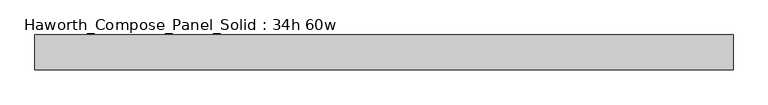
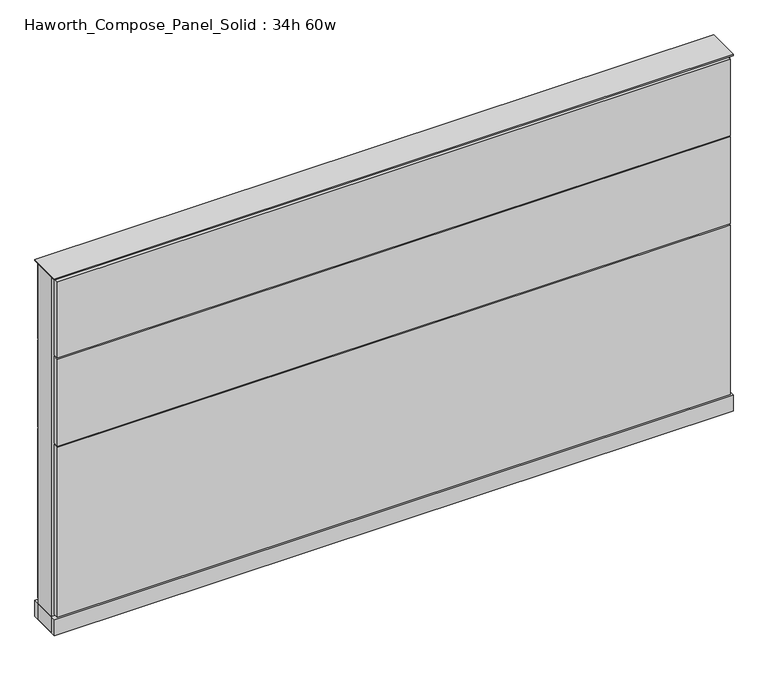
"""IFC4 building model written with IfcOpenShell, lengths in millimetres: furniture geometry, Haworth_Compose_Panel_Solid : 34h 60w."""

from ifc_helpers import new_model, si_unit, point, frame, frame_2d, origin, origin_with_axes, place, context, project, spatial, polyline, circle_curve, trimmed, segment, composite_curve, outline, extrude, source, transform, mapped, element, save


def haworth_compose_panel_solid_34h_60w_4ca2f004(model_context):
    return source(origin(), model_context, "Body", "SweptSolid", [
        extrude(outline(composite_curve([segment(trimmed(circle_curve(frame_2d((-683.3597098, 0.0)), 12.7), [point((-696.0597098, 0.0))], [point((-670.6597098, 0.0))], False, "CARTESIAN"), True, "CONTINUOUS"), segment(trimmed(circle_curve(frame_2d((-683.3597098, 0.0)), 12.7), [point((-670.6597098, 0.0))], [point((-696.0597098, 0.0))], False, "CARTESIAN"), True, "CONTINUOUS")], self_intersect=False)), origin_with_axes(), (0.0, 0.0, 1.0), 12.7),
        extrude(outline(composite_curve([segment(trimmed(circle_curve(frame_2d((688.2402902, 0.0)), 12.7), [point((675.5402902, 0.0))], [point((700.9402902, 0.0))], False, "CARTESIAN"), True, "CONTINUOUS"), segment(trimmed(circle_curve(frame_2d((688.2402902, 0.0)), 12.7), [point((700.9402902, 0.0))], [point((675.5402902, 0.0))], False, "CARTESIAN"), True, "CONTINUOUS")], self_intersect=False)), origin_with_axes(), (0.0, 0.0, 1.0), 12.7),
        extrude(outline(polyline([(758.0902902, 38.1), (758.0902902, 25.4), (-753.2097098, 25.4), (-753.2097098, 38.1), (758.0902902, 38.1)])), frame((0.0, 0.0, 669.925), z_axis=(0.0, 0.0, 1.0), x_axis=(1.0, 0.0, 0.0)), (0.0, 0.0, 1.0), 180.975),
        extrude(outline(polyline([(758.0902902, 38.1), (758.0902902, 25.4), (-753.2097098, 25.4), (-753.2097098, 38.1), (758.0902902, 38.1)])), frame((0.0, 0.0, 460.375), z_axis=(0.0, 0.0, 1.0), x_axis=(1.0, 0.0, 0.0)), (0.0, 0.0, 1.0), 206.375),
        extrude(outline(polyline([(758.0902902, 38.1), (758.0902902, 25.4), (-753.2097098, 25.4), (-753.2097098, 38.1), (758.0902902, 38.1)])), frame((0.0, 0.0, 53.975), z_axis=(0.0, 0.0, 1.0), x_axis=(1.0, 0.0, 0.0)), (0.0, 0.0, 1.0), 403.225),
        extrude(outline(polyline([(758.0902902, -38.1), (-753.2097098, -38.1), (-753.2097098, -25.4), (758.0902902, -25.4), (758.0902902, -38.1)])), frame((0.0, 0.0, 669.925), z_axis=(0.0, 0.0, 1.0), x_axis=(1.0, 0.0, 0.0)), (0.0, 0.0, 1.0), 180.975),
        extrude(outline(polyline([(758.0902902, -38.1), (-753.2097098, -38.1), (-753.2097098, -25.4), (758.0902902, -25.4), (758.0902902, -38.1)])), frame((0.0, 0.0, 460.375), z_axis=(0.0, 0.0, 1.0), x_axis=(1.0, 0.0, 0.0)), (0.0, 0.0, 1.0), 206.375),
        extrude(outline(polyline([(758.0902902, -38.1), (-753.2097098, -38.1), (-753.2097098, -25.4), (758.0902902, -25.4), (758.0902902, -38.1)])), frame((0.0, 0.0, 53.975), z_axis=(0.0, 0.0, 1.0), x_axis=(1.0, 0.0, 0.0)), (0.0, 0.0, 1.0), 403.225),
        extrude(outline(polyline([(764.4402902, 25.4), (764.4402902, -25.4), (-759.5597098, -25.4), (-759.5597098, 25.4), (764.4402902, 25.4)])), frame((0.0, 0.0, 12.7), z_axis=(0.0, 0.0, 1.0), x_axis=(1.0, 0.0, 0.0)), (0.0, 0.0, 1.0), 844.55),
        extrude(outline(polyline([(-759.5597098, -38.1), (-759.5597098, 38.1), (764.4402902, 38.1), (764.4402902, -38.1), (-759.5597098, -38.1)])), frame((0.0, 0.0, 12.7), z_axis=(0.0, 0.0, 1.0), x_axis=(1.0, 0.0, 0.0)), (0.0, 0.0, 1.0), 38.1),
        extrude(outline(polyline([(-759.5597098, -38.1), (-759.5597098, 38.1), (764.4402902, 38.1), (764.4402902, -38.1), (-759.5597098, -38.1)])), frame((0.0, 0.0, 857.25), z_axis=(0.0, 0.0, 1.0), x_axis=(1.0, 0.0, 0.0)), (0.0, 0.0, 1.0), 3.175),
    ])


if __name__ == "__main__":
    model = new_model("IFC4")
    model_context = context("Model", 3, world=origin())
    ifc_project = project(units=[si_unit("LENGTHUNIT", "METRE", prefix="MILLI")], contexts=[model_context])
    site = spatial("IfcSite", under=ifc_project)
    building = spatial("IfcBuilding", under=site)
    placement = place(None, origin())
    haworth_compose_panel_solid_34h_60w_shape = haworth_compose_panel_solid_34h_60w_4ca2f004(model_context)
    element("IfcFurniture", 1, ObjectType="Haworth_Compose_Panel_Solid : 34h 60w", at=placement, inside=building, context=model_context, shape_type="MappedRepresentation", body=[
        mapped(haworth_compose_panel_solid_34h_60w_shape, transform((0.0, 0.0, 0.0), x_axis=(1.0, 0.0, 0.0), y_axis=(0.0, 1.0, 0.0), z_axis=(0.0, 0.0, 1.0))),
    ])
    save(model, "model.ifc")
